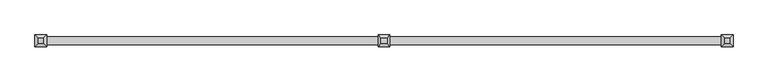
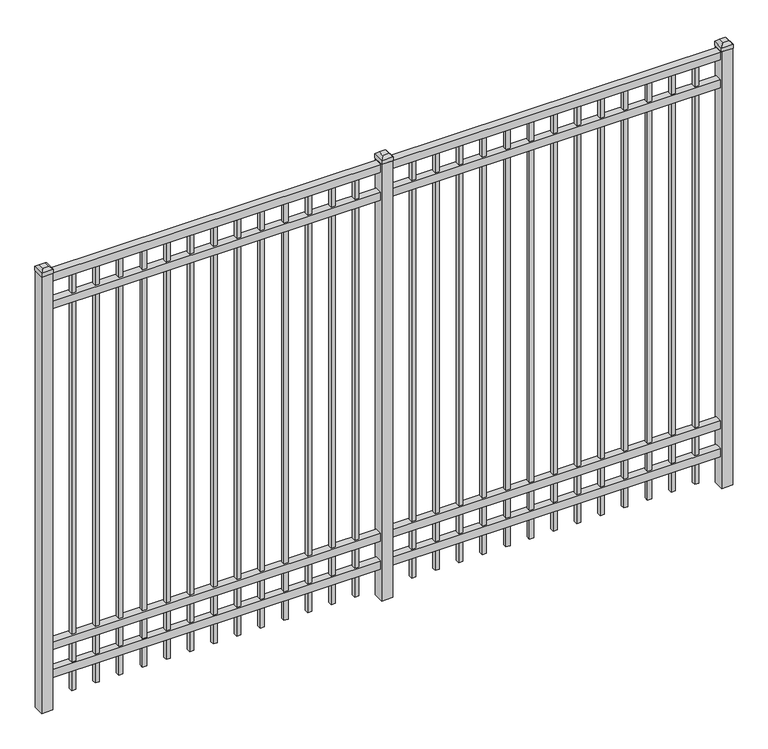
"""IFC4 building model written with IfcOpenShell, lengths in millimetres: railing geometry."""

from ifc_helpers import new_model, si_unit, frame, origin, origin_with_axes, place, context, project, spatial, polyline, outline, extrude, faceted_brep, source, transform, mapped, element, save


def railing_ec4e9380(model_context):
    return source(origin(), model_context, "Body", "SolidModel", [
        extrude(outline(polyline([(-61345.318087, -9187.1195174), (-61345.318087, -9152.1945174), (-58195.718087, -9152.1945174), (-58195.718087, -9187.1195174), (-61345.318087, -9187.1195174)])), frame((0.0, 0.0, 2095.5), z_axis=(0.0, 0.0, 1.0), x_axis=(1.0, 0.0, 0.0)), (0.0, 0.0, 1.0), 38.1),
        extrude(outline(polyline([(-61345.318087, -9187.1195174), (-61345.318087, -9152.1945174), (-58195.718087, -9152.1945174), (-58195.718087, -9187.1195174), (-61345.318087, -9187.1195174)])), frame((0.0, 0.0, 1958.975), z_axis=(0.0, 0.0, 1.0), x_axis=(1.0, 0.0, 0.0)), (0.0, 0.0, 1.0), 38.1),
        extrude(outline(polyline([(-61345.318087, -9187.1195174), (-61345.318087, -9152.1945174), (-58195.718087, -9152.1945174), (-58195.718087, -9187.1195174), (-61345.318087, -9187.1195174)])), frame((0.0, 0.0, 288.925), z_axis=(0.0, 0.0, 1.0), x_axis=(1.0, 0.0, 0.0)), (0.0, 0.0, 1.0), 38.1),
        extrude(outline(polyline([(-61345.318087, -9187.1195174), (-61345.318087, -9152.1945174), (-58195.718087, -9152.1945174), (-58195.718087, -9187.1195174), (-61345.318087, -9187.1195174)])), frame((0.0, 0.0, 152.4), z_axis=(0.0, 0.0, 1.0), x_axis=(1.0, 0.0, 0.0)), (0.0, 0.0, 1.0), 38.1),
        extrude(outline(polyline([(-58427.2285036, -9160.1320174), (-58427.2285036, -9179.1820174), (-58446.2785036, -9179.1820174), (-58446.2785036, -9160.1320174), (-58427.2285036, -9160.1320174)])), frame((0.0, 0.0, 50.8), z_axis=(0.0, 0.0, 1.0), x_axis=(1.0, 0.0, 0.0)), (0.0, 0.0, 1.0), 2044.7),
        extrude(outline(polyline([(-58536.5014203, -9160.1320174), (-58536.5014203, -9179.1820174), (-58555.5514203, -9179.1820174), (-58555.5514203, -9160.1320174), (-58536.5014203, -9160.1320174)])), frame((0.0, 0.0, 50.8), z_axis=(0.0, 0.0, 1.0), x_axis=(1.0, 0.0, 0.0)), (0.0, 0.0, 1.0), 2044.7),
        extrude(outline(polyline([(-58645.774337, -9160.1320174), (-58645.774337, -9179.1820174), (-58664.824337, -9179.1820174), (-58664.824337, -9160.1320174), (-58645.774337, -9160.1320174)])), frame((0.0, 0.0, 50.8), z_axis=(0.0, 0.0, 1.0), x_axis=(1.0, 0.0, 0.0)), (0.0, 0.0, 1.0), 2044.7),
        extrude(outline(polyline([(-58755.0472536, -9160.1320174), (-58755.0472536, -9179.1820174), (-58774.0972536, -9179.1820174), (-58774.0972536, -9160.1320174), (-58755.0472536, -9160.1320174)])), frame((0.0, 0.0, 50.8), z_axis=(0.0, 0.0, 1.0), x_axis=(1.0, 0.0, 0.0)), (0.0, 0.0, 1.0), 2044.7),
        extrude(outline(polyline([(-58864.3201703, -9160.1320174), (-58864.3201703, -9179.1820174), (-58883.3701703, -9179.1820174), (-58883.3701703, -9160.1320174), (-58864.3201703, -9160.1320174)])), frame((0.0, 0.0, 50.8), z_axis=(0.0, 0.0, 1.0), x_axis=(1.0, 0.0, 0.0)), (0.0, 0.0, 1.0), 2044.7),
        extrude(outline(polyline([(-58973.593087, -9160.1320174), (-58973.593087, -9179.1820174), (-58992.643087, -9179.1820174), (-58992.643087, -9160.1320174), (-58973.593087, -9160.1320174)])), frame((0.0, 0.0, 50.8), z_axis=(0.0, 0.0, 1.0), x_axis=(1.0, 0.0, 0.0)), (0.0, 0.0, 1.0), 2044.7),
        extrude(outline(polyline([(-59082.8660036, -9160.1320174), (-59082.8660036, -9179.1820174), (-59101.9160036, -9179.1820174), (-59101.9160036, -9160.1320174), (-59082.8660036, -9160.1320174)])), frame((0.0, 0.0, 50.8), z_axis=(0.0, 0.0, 1.0), x_axis=(1.0, 0.0, 0.0)), (0.0, 0.0, 1.0), 2044.7),
        extrude(outline(polyline([(-59192.1389203, -9160.1320174), (-59192.1389203, -9179.1820174), (-59211.1889203, -9179.1820174), (-59211.1889203, -9160.1320174), (-59192.1389203, -9160.1320174)])), frame((0.0, 0.0, 50.8), z_axis=(0.0, 0.0, 1.0), x_axis=(1.0, 0.0, 0.0)), (0.0, 0.0, 1.0), 2044.7),
        extrude(outline(polyline([(-59301.411837, -9160.1320174), (-59301.411837, -9179.1820174), (-59320.461837, -9179.1820174), (-59320.461837, -9160.1320174), (-59301.411837, -9160.1320174)])), frame((0.0, 0.0, 50.8), z_axis=(0.0, 0.0, 1.0), x_axis=(1.0, 0.0, 0.0)), (0.0, 0.0, 1.0), 2044.7),
        extrude(outline(polyline([(-59410.6847536, -9160.1320174), (-59410.6847536, -9179.1820174), (-59429.7347536, -9179.1820174), (-59429.7347536, -9160.1320174), (-59410.6847536, -9160.1320174)])), frame((0.0, 0.0, 50.8), z_axis=(0.0, 0.0, 1.0), x_axis=(1.0, 0.0, 0.0)), (0.0, 0.0, 1.0), 2044.7),
        extrude(outline(polyline([(-59519.9576703, -9160.1320174), (-59519.9576703, -9179.1820174), (-59539.0076703, -9179.1820174), (-59539.0076703, -9160.1320174), (-59519.9576703, -9160.1320174)])), frame((0.0, 0.0, 50.8), z_axis=(0.0, 0.0, 1.0), x_axis=(1.0, 0.0, 0.0)), (0.0, 0.0, 1.0), 2044.7),
        extrude(outline(polyline([(-58317.955587, -9160.1320174), (-58317.955587, -9179.1820174), (-58337.005587, -9179.1820174), (-58337.005587, -9160.1320174), (-58317.955587, -9160.1320174)])), frame((0.0, 0.0, 50.8), z_axis=(0.0, 0.0, 1.0), x_axis=(1.0, 0.0, 0.0)), (0.0, 0.0, 1.0), 2044.7),
        extrude(outline(polyline([(-59629.230587, -9160.1320174), (-59629.230587, -9179.1820174), (-59648.280587, -9179.1820174), (-59648.280587, -9160.1320174), (-59629.230587, -9160.1320174)])), frame((0.0, 0.0, 50.8), z_axis=(0.0, 0.0, 1.0), x_axis=(1.0, 0.0, 0.0)), (0.0, 0.0, 1.0), 2044.7),
        extrude(outline(polyline([(-59745.118087, -9144.2570174), (-59745.118087, -9195.0570174), (-59795.918087, -9195.0570174), (-59795.918087, -9144.2570174), (-59745.118087, -9144.2570174)])), origin_with_axes(), (0.0, 0.0, 1.0), 2139.95),
        faceted_brep([(-59797.505587, -9142.6695174, 2159.0), (-59797.505587, -9142.6695174, 2139.95), (-59797.505587, -9196.6445174, 2139.95), (-59797.505587, -9196.6445174, 2159.0), (-59784.805587, -9155.3695174, 2171.7), (-59784.805587, -9183.9445174, 2171.7), (-59743.530587, -9196.6445174, 2139.95), (-59743.530587, -9196.6445174, 2159.0), (-59756.230587, -9183.9445174, 2171.7), (-59743.530587, -9142.6695174, 2139.95), (-59743.530587, -9142.6695174, 2159.0), (-59756.230587, -9155.3695174, 2171.7)], [[[0, 1, 2, 3]], [[4, 0, 3, 5]], [[3, 2, 6, 7]], [[5, 3, 7, 8]], [[7, 6, 9, 10]], [[8, 7, 10, 11]], [[10, 9, 1, 0]], [[11, 10, 0, 4]], [[5, 8, 11, 4]], [[1, 9, 6, 2]]]),
        extrude(outline(polyline([(-60002.0285036, -9160.1320174), (-60002.0285036, -9179.1820174), (-60021.0785036, -9179.1820174), (-60021.0785036, -9160.1320174), (-60002.0285036, -9160.1320174)])), frame((0.0, 0.0, 50.8), z_axis=(0.0, 0.0, 1.0), x_axis=(1.0, 0.0, 0.0)), (0.0, 0.0, 1.0), 2044.7),
        extrude(outline(polyline([(-60111.3014203, -9160.1320174), (-60111.3014203, -9179.1820174), (-60130.3514203, -9179.1820174), (-60130.3514203, -9160.1320174), (-60111.3014203, -9160.1320174)])), frame((0.0, 0.0, 50.8), z_axis=(0.0, 0.0, 1.0), x_axis=(1.0, 0.0, 0.0)), (0.0, 0.0, 1.0), 2044.7),
        extrude(outline(polyline([(-60220.574337, -9160.1320174), (-60220.574337, -9179.1820174), (-60239.624337, -9179.1820174), (-60239.624337, -9160.1320174), (-60220.574337, -9160.1320174)])), frame((0.0, 0.0, 50.8), z_axis=(0.0, 0.0, 1.0), x_axis=(1.0, 0.0, 0.0)), (0.0, 0.0, 1.0), 2044.7),
        extrude(outline(polyline([(-60329.8472536, -9160.1320174), (-60329.8472536, -9179.1820174), (-60348.8972536, -9179.1820174), (-60348.8972536, -9160.1320174), (-60329.8472536, -9160.1320174)])), frame((0.0, 0.0, 50.8), z_axis=(0.0, 0.0, 1.0), x_axis=(1.0, 0.0, 0.0)), (0.0, 0.0, 1.0), 2044.7),
        extrude(outline(polyline([(-60439.1201703, -9160.1320174), (-60439.1201703, -9179.1820174), (-60458.1701703, -9179.1820174), (-60458.1701703, -9160.1320174), (-60439.1201703, -9160.1320174)])), frame((0.0, 0.0, 50.8), z_axis=(0.0, 0.0, 1.0), x_axis=(1.0, 0.0, 0.0)), (0.0, 0.0, 1.0), 2044.7),
        extrude(outline(polyline([(-60548.393087, -9160.1320174), (-60548.393087, -9179.1820174), (-60567.443087, -9179.1820174), (-60567.443087, -9160.1320174), (-60548.393087, -9160.1320174)])), frame((0.0, 0.0, 50.8), z_axis=(0.0, 0.0, 1.0), x_axis=(1.0, 0.0, 0.0)), (0.0, 0.0, 1.0), 2044.7),
        extrude(outline(polyline([(-60657.6660036, -9160.1320174), (-60657.6660036, -9179.1820174), (-60676.7160036, -9179.1820174), (-60676.7160036, -9160.1320174), (-60657.6660036, -9160.1320174)])), frame((0.0, 0.0, 50.8), z_axis=(0.0, 0.0, 1.0), x_axis=(1.0, 0.0, 0.0)), (0.0, 0.0, 1.0), 2044.7),
        extrude(outline(polyline([(-60766.9389203, -9160.1320174), (-60766.9389203, -9179.1820174), (-60785.9889203, -9179.1820174), (-60785.9889203, -9160.1320174), (-60766.9389203, -9160.1320174)])), frame((0.0, 0.0, 50.8), z_axis=(0.0, 0.0, 1.0), x_axis=(1.0, 0.0, 0.0)), (0.0, 0.0, 1.0), 2044.7),
        extrude(outline(polyline([(-60876.211837, -9160.1320174), (-60876.211837, -9179.1820174), (-60895.261837, -9179.1820174), (-60895.261837, -9160.1320174), (-60876.211837, -9160.1320174)])), frame((0.0, 0.0, 50.8), z_axis=(0.0, 0.0, 1.0), x_axis=(1.0, 0.0, 0.0)), (0.0, 0.0, 1.0), 2044.7),
        extrude(outline(polyline([(-60985.4847536, -9160.1320174), (-60985.4847536, -9179.1820174), (-61004.5347536, -9179.1820174), (-61004.5347536, -9160.1320174), (-60985.4847536, -9160.1320174)])), frame((0.0, 0.0, 50.8), z_axis=(0.0, 0.0, 1.0), x_axis=(1.0, 0.0, 0.0)), (0.0, 0.0, 1.0), 2044.7),
        extrude(outline(polyline([(-61094.7576703, -9160.1320174), (-61094.7576703, -9179.1820174), (-61113.8076703, -9179.1820174), (-61113.8076703, -9160.1320174), (-61094.7576703, -9160.1320174)])), frame((0.0, 0.0, 50.8), z_axis=(0.0, 0.0, 1.0), x_axis=(1.0, 0.0, 0.0)), (0.0, 0.0, 1.0), 2044.7),
        extrude(outline(polyline([(-59892.755587, -9160.1320174), (-59892.755587, -9179.1820174), (-59911.805587, -9179.1820174), (-59911.805587, -9160.1320174), (-59892.755587, -9160.1320174)])), frame((0.0, 0.0, 50.8), z_axis=(0.0, 0.0, 1.0), x_axis=(1.0, 0.0, 0.0)), (0.0, 0.0, 1.0), 2044.7),
        extrude(outline(polyline([(-61204.030587, -9160.1320174), (-61204.030587, -9179.1820174), (-61223.080587, -9179.1820174), (-61223.080587, -9160.1320174), (-61204.030587, -9160.1320174)])), frame((0.0, 0.0, 50.8), z_axis=(0.0, 0.0, 1.0), x_axis=(1.0, 0.0, 0.0)), (0.0, 0.0, 1.0), 2044.7),
        extrude(outline(polyline([(-58170.318087, -9144.2570174), (-58170.318087, -9195.0570174), (-58221.118087, -9195.0570174), (-58221.118087, -9144.2570174), (-58170.318087, -9144.2570174)])), origin_with_axes(), (0.0, 0.0, 1.0), 2139.95),
        faceted_brep([(-58222.705587, -9142.6695174, 2159.0), (-58222.705587, -9142.6695174, 2139.95), (-58222.705587, -9196.6445174, 2139.95), (-58222.705587, -9196.6445174, 2159.0), (-58210.005587, -9155.3695174, 2171.7), (-58210.005587, -9183.9445174, 2171.7), (-58168.730587, -9196.6445174, 2139.95), (-58168.730587, -9196.6445174, 2159.0), (-58181.430587, -9183.9445174, 2171.7), (-58168.730587, -9142.6695174, 2139.95), (-58168.730587, -9142.6695174, 2159.0), (-58181.430587, -9155.3695174, 2171.7)], [[[0, 1, 2, 3]], [[4, 0, 3, 5]], [[3, 2, 6, 7]], [[5, 3, 7, 8]], [[7, 6, 9, 10]], [[8, 7, 10, 11]], [[10, 9, 1, 0]], [[11, 10, 0, 4]], [[5, 8, 11, 4]], [[1, 9, 6, 2]]]),
        extrude(outline(polyline([(-61319.918087, -9144.2570174), (-61319.918087, -9195.0570174), (-61370.718087, -9195.0570174), (-61370.718087, -9144.2570174), (-61319.918087, -9144.2570174)])), origin_with_axes(), (0.0, 0.0, 1.0), 2139.95),
        faceted_brep([(-61372.305587, -9142.6695174, 2159.0), (-61372.305587, -9142.6695174, 2139.95), (-61372.305587, -9196.6445174, 2139.95), (-61372.305587, -9196.6445174, 2159.0), (-61359.605587, -9155.3695174, 2171.7), (-61359.605587, -9183.9445174, 2171.7), (-61318.330587, -9196.6445174, 2139.95), (-61318.330587, -9196.6445174, 2159.0), (-61331.030587, -9183.9445174, 2171.7), (-61318.330587, -9142.6695174, 2139.95), (-61318.330587, -9142.6695174, 2159.0), (-61331.030587, -9155.3695174, 2171.7)], [[[0, 1, 2, 3]], [[4, 0, 3, 5]], [[3, 2, 6, 7]], [[5, 3, 7, 8]], [[7, 6, 9, 10]], [[8, 7, 10, 11]], [[10, 9, 1, 0]], [[11, 10, 0, 4]], [[5, 8, 11, 4]], [[1, 9, 6, 2]]]),
    ])


if __name__ == "__main__":
    model = new_model("IFC4")
    model_context = context("Model", 3, world=origin())
    ifc_project = project(units=[si_unit("LENGTHUNIT", "METRE", prefix="MILLI")], contexts=[model_context])
    site = spatial("IfcSite", under=ifc_project)
    building = spatial("IfcBuilding", under=site)
    placement = place(None, origin())
    railing_shape = railing_ec4e9380(model_context)
    element("IfcRailing", 1, at=placement, inside=building, context=model_context, shape_type="MappedRepresentation", body=[
        mapped(railing_shape, transform((0.0, 0.0, 0.0), x_axis=(1.0, 0.0, 0.0), y_axis=(0.0, 1.0, 0.0), z_axis=(0.0, 0.0, 1.0))),
    ])
    save(model, "model.ifc")
